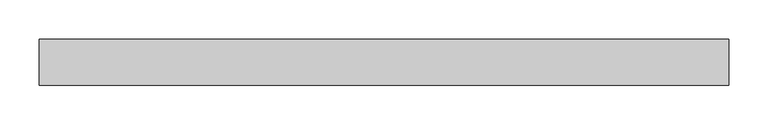
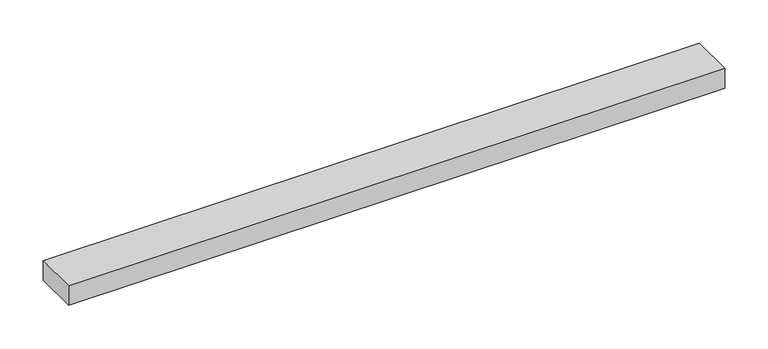
"""IFC4 building model written with IfcOpenShell, lengths in millimetres: proxy geometry."""

from ifc_helpers import new_model, si_unit, frame, origin, place, context, project, spatial, polyline, outline, extrude, source, transform, mapped, element, save


def specialty_equipment_91122f66(model_context):
    return source(origin(), model_context, "Body", "SweptSolid", [
        extrude(outline(polyline([(-438.15, -29.2199219), (-438.15, 29.2199219), (438.15, 29.2199219), (438.15, -29.2199219), (-438.15, -29.2199219)])), frame((0.0, 0.0, -13.9898438), z_axis=(0.0, 0.0, 1.0), x_axis=(1.0, 0.0, 0.0)), (0.0, 0.0, 1.0), 27.9796875),
    ])


if __name__ == "__main__":
    model = new_model("IFC4")
    model_context = context("Model", 3, world=origin())
    ifc_project = project(units=[si_unit("LENGTHUNIT", "METRE", prefix="MILLI")], contexts=[model_context])
    site = spatial("IfcSite", under=ifc_project)
    building = spatial("IfcBuilding", under=site)
    placement = place(None, origin())
    specialty_equipment_shape = specialty_equipment_91122f66(model_context)
    element("IfcBuildingElementProxy", 1, Name="Specialty Equipment", at=placement, inside=building, context=model_context, shape_type="MappedRepresentation", body=[
        mapped(specialty_equipment_shape, transform((0.0, 0.0, 0.0), x_axis=(1.0, 0.0, 0.0), y_axis=(0.0, 1.0, 0.0), z_axis=(0.0, 0.0, 1.0))),
    ])
    save(model, "model.ifc")
